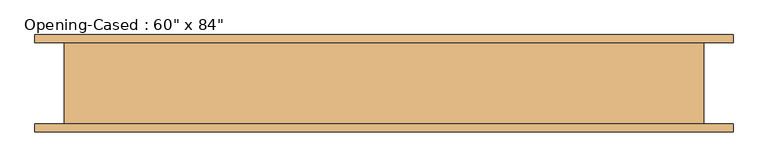
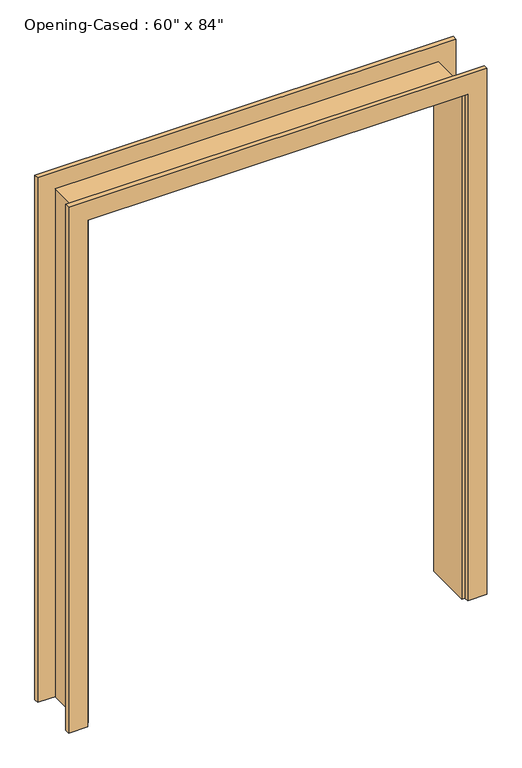
"""IFC4 building model written with IfcOpenShell, lengths in millimetres: door geometry."""

from ifc_helpers import new_model, si_unit, frame, origin, place, context, project, spatial, polyline, outline, extrude, faceted_brep, source, transform, mapped, element, save


def door_ce369a65(model_context):
    return source(origin(), model_context, "Body", "SolidModel", [
        extrude(outline(polyline([(0.0, -763.8386567), (2127.25, -763.8386567), (2127.25, 747.4613433), (0.0, 747.4613433), (0.0, 823.6613433), (2203.45, 823.6613433), (2203.45, -840.0386567), (0.0, -840.0386567), (0.0, -763.8386567)])), frame((0.0, 96.8375, 0.0), z_axis=(0.0, 1.0, 0.0), x_axis=(0.0, 0.0, 1.0)), (0.0, 0.0, 1.0), 19.05),
        extrude(outline(polyline([(0.0, 823.6613433), (2209.8, 823.6613433), (2209.8, -840.0386567), (0.0, -840.0386567), (0.0, -763.8386567), (2127.25, -763.8386567), (2127.25, 747.4613433), (0.0, 747.4613433), (0.0, 823.6613433)])), frame((0.0, -115.8875, 0.0), z_axis=(0.0, 1.0, 0.0), x_axis=(0.0, 0.0, 1.0)), (0.0, 0.0, 1.0), 19.05),
        faceted_brep([(734.7613433, -96.8375, 0.0), (734.7613433, 96.8375, 0.0), (753.8113433, 96.8375, 0.0), (753.8113433, -96.8375, 0.0), (753.8113433, -96.8375, 2133.6), (734.7613433, -96.8375, 2114.55), (753.8113433, 96.8375, 2133.6), (734.7613433, 96.8375, 2114.55), (-751.1386567, -96.8375, 0.0), (-770.1886567, -96.8375, 0.0), (-770.1886567, 96.8375, 0.0), (-751.1386567, 96.8375, 0.0), (-751.1386567, -96.8375, 2114.55), (-751.1386567, 96.8375, 2114.55), (-770.1886567, 96.8375, 2133.6), (-770.1886567, -96.8375, 2133.6)], [[[0, 1, 2, 3]], [[3, 4, 5, 0]], [[2, 6, 4, 3]], [[1, 7, 6, 2]], [[0, 5, 7, 1]], [[8, 9, 10, 11]], [[12, 8, 11, 13]], [[13, 11, 10, 14]], [[14, 10, 9, 15]], [[15, 9, 8, 12]], [[4, 15, 12, 5]], [[6, 14, 15, 4]], [[7, 13, 14, 6]], [[5, 12, 13, 7]]]),
    ])


if __name__ == "__main__":
    model = new_model("IFC4")
    model_context = context("Model", 3, world=origin())
    ifc_project = project(units=[si_unit("LENGTHUNIT", "METRE", prefix="MILLI")], contexts=[model_context])
    site = spatial("IfcSite", under=ifc_project)
    building = spatial("IfcBuilding", under=site)
    placement = place(None, origin())
    door_shape = door_ce369a65(model_context)
    element("IfcDoor", 1, ObjectType="Opening-Cased : 60\" x 84\"", at=placement, inside=building, context=model_context, shape_type="MappedRepresentation", body=[
        mapped(door_shape, transform((0.0, 0.0, 0.0), x_axis=(1.0, 0.0, 0.0), y_axis=(0.0, 1.0, 0.0), z_axis=(0.0, 0.0, 1.0))),
    ])
    save(model, "model.ifc")
